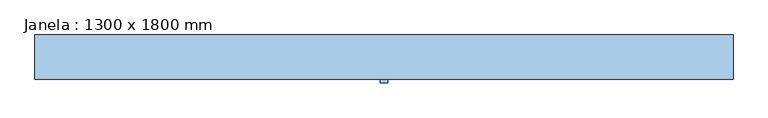
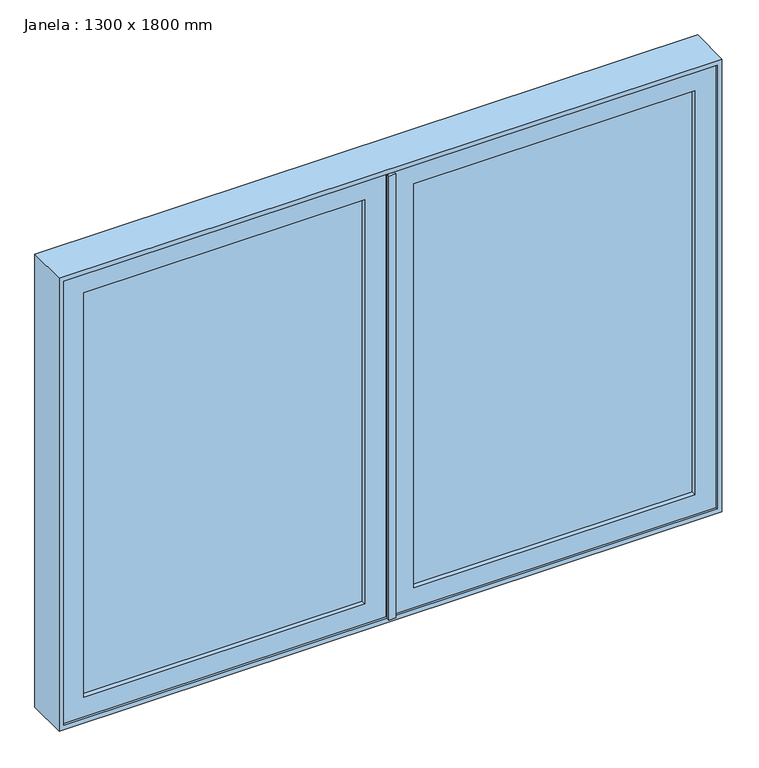
"""IFC4 building model written with IfcOpenShell, lengths in millimetres: window geometry, Janela : 1300 x 1800 mm."""

from ifc_helpers import new_model, si_unit, frame, origin, place, context, project, spatial, polyline, outline, extrude, faceted_brep, source, transform, mapped, element, save


def janela_1300_x_1800_mm_906f89da(model_context):
    return source(origin(), model_context, "Body", "SolidModel", [
        extrude(outline(polyline([(9.525, -87.05), (9.525, -96.064), (-9.525, -96.064), (-9.525, -87.05), (9.525, -87.05)])), frame((0.0, 0.0, 912.7), z_axis=(0.0, 0.0, 1.0), x_axis=(1.0, 0.0, 0.0)), (0.0, 0.0, 1.0), 1274.6),
        extrude(outline(polyline([(-66.675, -68.0), (-830.15, -68.0), (-830.15, -61.65), (-66.675, -61.65), (-66.675, -68.0)])), frame((0.0, 0.0, 969.85), z_axis=(0.0, 0.0, 1.0), x_axis=(1.0, 0.0, 0.0)), (0.0, 0.0, 1.0), 1160.3),
        extrude(outline(polyline([(-830.15, -48.95), (-66.675, -48.95), (-66.675, -55.3), (-830.15, -55.3), (-830.15, -48.95)])), frame((0.0, 0.0, 969.85), z_axis=(0.0, 0.0, 1.0), x_axis=(1.0, 0.0, 0.0)), (0.0, 0.0, 1.0), 1160.3),
        extrude(outline(polyline([(830.15, -68.0), (66.675, -68.0), (66.675, -61.65), (830.15, -61.65), (830.15, -68.0)])), frame((0.0, 0.0, 969.85), z_axis=(0.0, 0.0, 1.0), x_axis=(1.0, 0.0, 0.0)), (0.0, 0.0, 1.0), 1160.3),
        extrude(outline(polyline([(66.675, -48.95), (830.15, -48.95), (830.15, -55.3), (66.675, -55.3), (66.675, -48.95)])), frame((0.0, 0.0, 969.85), z_axis=(0.0, 0.0, 1.0), x_axis=(1.0, 0.0, 0.0)), (0.0, 0.0, 1.0), 1160.3),
        extrude(outline(polyline([(2187.3, -9.525), (2187.3, -887.3), (912.7, -887.3), (912.7, -9.525), (2187.3, -9.525)]), holes=[polyline([(2130.15, -830.15), (2130.15, -66.675), (969.85, -66.675), (969.85, -830.15), (2130.15, -830.15)])]), frame((0.0, -80.7, 0.0), z_axis=(0.0, 1.0, 0.0), x_axis=(0.0, 0.0, 1.0)), (0.0, 0.0, 1.0), 44.45),
        extrude(outline(polyline([(912.7, 9.525), (912.7, 887.3), (2187.3, 887.3), (2187.3, 9.525), (912.7, 9.525)]), holes=[polyline([(969.85, 830.15), (969.85, 66.675), (2130.15, 66.675), (2130.15, 830.15), (969.85, 830.15)])]), frame((0.0, -80.7, 0.0), z_axis=(0.0, 1.0, 0.0), x_axis=(0.0, 0.0, 1.0)), (0.0, 0.0, 1.0), 44.45),
        faceted_brep([(868.25, -36.25, 2168.25), (-868.25, -36.25, 2168.25), (-868.25, 27.25, 2168.25), (868.25, 27.25, 2168.25), (887.3, -87.05, 2187.3), (-887.3, -87.05, 2187.3), (-887.3, -36.25, 2187.3), (887.3, -36.25, 2187.3), (900.0, 27.25, 2200.0), (-900.0, 27.25, 2200.0), (-900.0, -87.05, 2200.0), (900.0, -87.05, 2200.0), (-868.25, -36.25, 931.75), (-868.25, 27.25, 931.75), (-887.3, -87.05, 912.7), (-887.3, -36.25, 912.7), (-900.0, 27.25, 900.0), (-900.0, -87.05, 900.0), (868.25, -36.25, 931.75), (868.25, 27.25, 931.75), (887.3, -87.05, 912.7), (887.3, -36.25, 912.7), (900.0, 27.25, 900.0), (900.0, -87.05, 900.0)], [[[0, 1, 2, 3]], [[4, 5, 6, 7]], [[8, 9, 10, 11]], [[1, 12, 13, 2]], [[5, 14, 15, 6]], [[9, 16, 17, 10]], [[12, 18, 19, 13]], [[14, 20, 21, 15]], [[16, 22, 23, 17]], [[9, 8, 22, 16], [3, 2, 13, 19]], [[18, 0, 3, 19]], [[7, 6, 15, 21], [1, 0, 18, 12]], [[20, 4, 7, 21]], [[22, 8, 11, 23]], [[11, 10, 17, 23], [5, 4, 20, 14]]]),
    ])


if __name__ == "__main__":
    model = new_model("IFC4")
    model_context = context("Model", 3, world=origin())
    ifc_project = project(units=[si_unit("LENGTHUNIT", "METRE", prefix="MILLI")], contexts=[model_context])
    site = spatial("IfcSite", under=ifc_project)
    building = spatial("IfcBuilding", under=site)
    placement = place(None, origin())
    janela_1300_x_1800_mm_shape = janela_1300_x_1800_mm_906f89da(model_context)
    element("IfcWindow", 1, ObjectType="Janela : 1300 x 1800 mm", at=placement, inside=building, context=model_context, shape_type="MappedRepresentation", body=[
        mapped(janela_1300_x_1800_mm_shape, transform((0.0, 0.0, 0.0), x_axis=(1.0, 0.0, 0.0), y_axis=(0.0, 1.0, 0.0), z_axis=(0.0, 0.0, 1.0))),
    ])
    save(model, "model.ifc")
